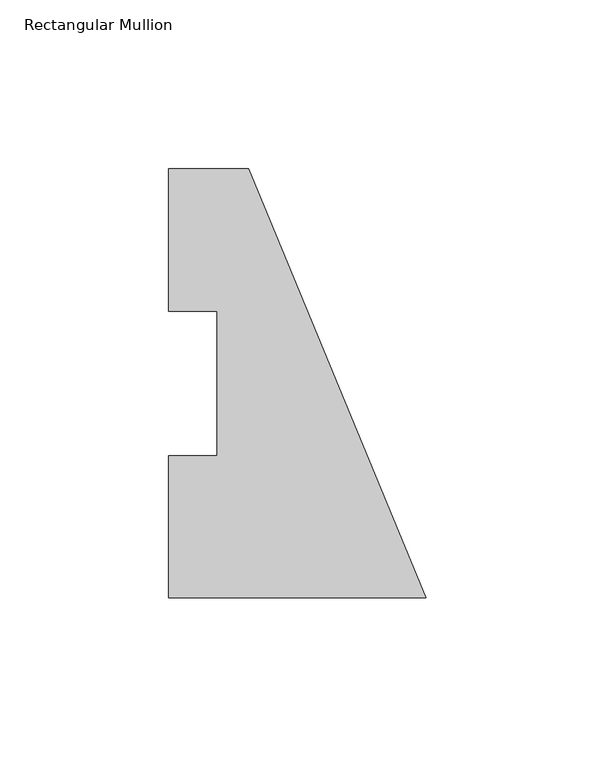
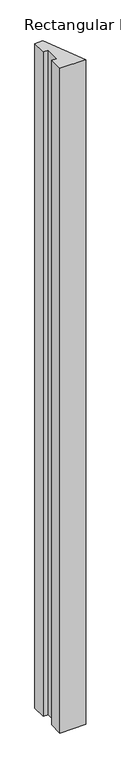
"""IFC4 building model written with IfcOpenShell, lengths in millimetres: member geometry, Rectangular Mullion."""

from ifc_helpers import new_model, si_unit, frame, origin, place, context, project, spatial, polyline, outline, extrude, source, transform, mapped, element, save


def rectangular_mullion_cf73f2bb(model_context):
    return source(origin(), model_context, "Body", "SweptSolid", [
        extrude(outline(polyline([(-76.2, 0.00635), (-76.2, 42.08145), (-61.9125, 42.08145), (-61.9125, 84.93125), (-76.2, 84.93125), (-76.2, 127.00635), (-52.6051224, 127.00635), (0.0, 0.00635), (-76.2, 0.00635)])), frame((0.0, 0.0, -2057.4), z_axis=(0.0, 0.0, 1.0), x_axis=(1.0, 0.0, 0.0)), (0.0, 0.0, 1.0), 2057.4),
    ])


if __name__ == "__main__":
    model = new_model("IFC4")
    model_context = context("Model", 3, world=origin())
    ifc_project = project(units=[si_unit("LENGTHUNIT", "METRE", prefix="MILLI")], contexts=[model_context])
    site = spatial("IfcSite", under=ifc_project)
    building = spatial("IfcBuilding", under=site)
    placement = place(None, origin())
    rectangular_mullion_shape = rectangular_mullion_cf73f2bb(model_context)
    element("IfcMember", 1, ObjectType="Rectangular Mullion", at=placement, inside=building, context=model_context, shape_type="MappedRepresentation", body=[
        mapped(rectangular_mullion_shape, transform((0.0, 0.0, 0.0), x_axis=(1.0, 0.0, 0.0), y_axis=(0.0, 1.0, 0.0), z_axis=(0.0, 0.0, 1.0))),
    ])
    save(model, "model.ifc")
